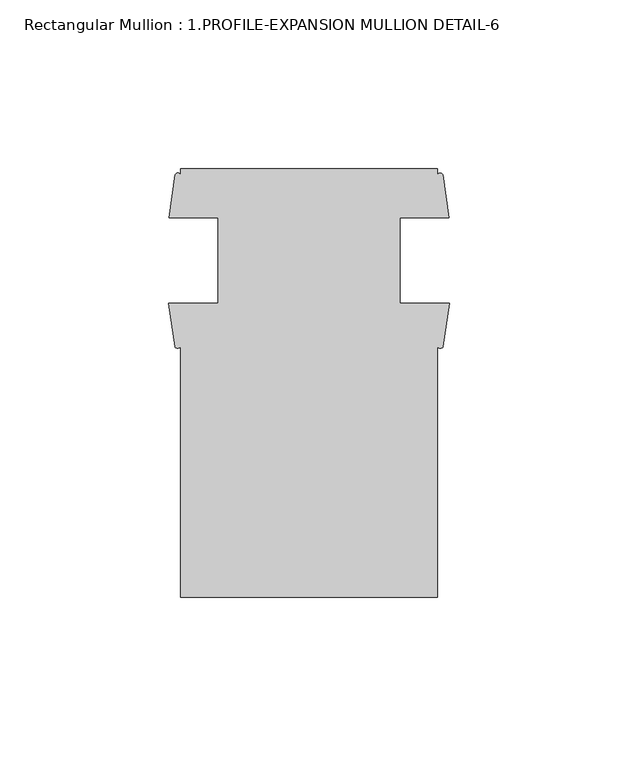
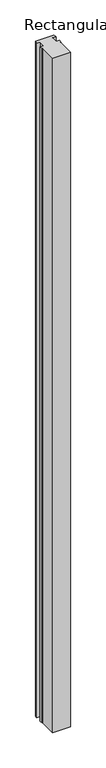
"""IFC4 building model written with IfcOpenShell, lengths in millimetres: member geometry, Rectangular Mullion : 1.PROFILE-EXPANSION MULLION DETAIL-6."""

from ifc_helpers import new_model, si_unit, point, frame, frame_2d, origin, place, context, project, spatial, polyline, circle_curve, trimmed, segment, composite_curve, outline, extrude, source, transform, mapped, element, save


def rectangular_mullion_1_profile_expansion_mullion_detail_6_86f5cd36(model_context):
    return source(origin(), model_context, "Body", "SweptSolid", [
        extrude(outline(composite_curve([segment(polyline([(-79.7194629, -63.5630721), (-79.7194629, 10.7603501)]), True, "CONTINUOUS"), segment(trimmed(circle_curve(frame_2d((-80.5511651, 11.3110186)), 0.997479), [point((-79.7194629, 10.7603501))], [point((-81.3828673, 10.7603501))], False, "CARTESIAN"), True, "CONTINUOUS"), segment(polyline([(-81.3828673, 10.7603501), (-83.2389846, 23.5334029), (-68.6069629, 23.5334029), (-68.6069629, 48.9334029), (-83.1154629, 48.9334029), (-81.3053591, 61.7046904)]), True, "CONTINUOUS"), segment(trimmed(circle_curve(frame_2d((-80.512411, 61.2961223)), 0.8920172), [point((-81.3053591, 61.7046904))], [point((-79.7194629, 61.7046904))], False, "CARTESIAN"), True, "CONTINUOUS"), segment(polyline([(-79.7194629, 61.7046904), (-79.7194629, 63.4369279), (-3.5195217, 63.4369279), (-3.5195217, 61.7046904)]), True, "CONTINUOUS"), segment(trimmed(circle_curve(frame_2d((-2.7265736, 61.2296854)), 0.9243357), [point((-3.5195217, 61.7046904))], [point((-1.9336255, 61.7046904))], False, "CARTESIAN"), True, "CONTINUOUS"), segment(polyline([(-1.9336255, 61.7046904), (-0.1235217, 48.9334029), (-14.6319629, 48.9334029), (-14.6319629, 23.5334029), (0.0, 23.5334029), (-1.8561173, 10.7603501)]), True, "CONTINUOUS"), segment(trimmed(circle_curve(frame_2d((-2.6878195, 11.3136598)), 0.9989395), [point((-1.8561173, 10.7603501))], [point((-3.5195217, 10.7603501))], False, "CARTESIAN"), True, "CONTINUOUS"), segment(polyline([(-3.5195217, 10.7603501), (-3.5195217, -63.5630721), (-79.7194629, -63.5630721)]), True, "CONTINUOUS")], self_intersect=False)), frame((0.0, 0.0, -3048.0), z_axis=(0.0, 0.0, 1.0), x_axis=(1.0, 0.0, 0.0)), (0.0, 0.0, 1.0), 3048.0),
    ])


if __name__ == "__main__":
    model = new_model("IFC4")
    model_context = context("Model", 3, world=origin())
    ifc_project = project(units=[si_unit("LENGTHUNIT", "METRE", prefix="MILLI")], contexts=[model_context])
    site = spatial("IfcSite", under=ifc_project)
    building = spatial("IfcBuilding", under=site)
    placement = place(None, origin())
    rectangular_mullion_1_profile_expansion_mullion_detail_6_shape = rectangular_mullion_1_profile_expansion_mullion_detail_6_86f5cd36(model_context)
    element("IfcMember", 1, ObjectType="Rectangular Mullion : 1.PROFILE-EXPANSION MULLION DETAIL-6", at=placement, inside=building, context=model_context, shape_type="MappedRepresentation", body=[
        mapped(rectangular_mullion_1_profile_expansion_mullion_detail_6_shape, transform((0.0, 0.0, 0.0), x_axis=(1.0, 0.0, 0.0), y_axis=(0.0, 1.0, 0.0), z_axis=(0.0, 0.0, 1.0))),
    ])
    save(model, "model.ifc")
